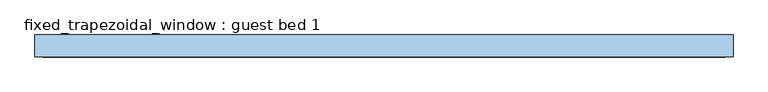
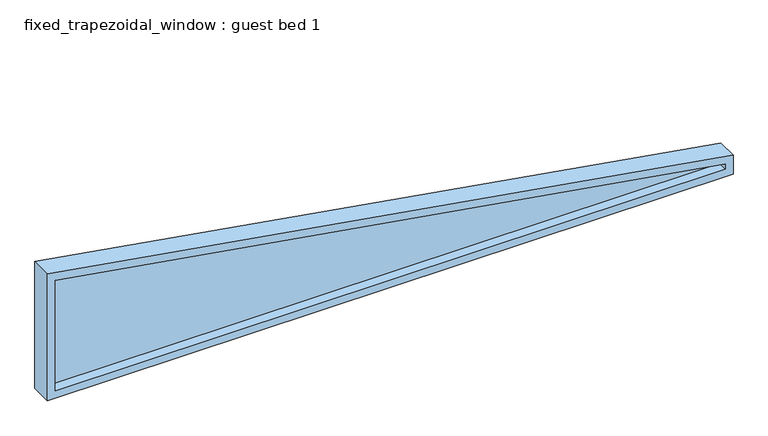
"""IFC4 building model written with IfcOpenShell, lengths in millimetres: window geometry, fixed_trapezoidal_window : guest bed 1."""

from ifc_helpers import new_model, si_unit, frame, origin, place, context, project, spatial, polyline, outline, extrude, source, transform, mapped, element, save


def fixed_trapezoidal_window_guest_bed_1_a39a6ab0(model_context):
    return source(origin(), model_context, "Body", "SweptSolid", [
        extrude(outline(polyline([(1270.0, -2197.1), (1270.0, 2120.9), (1303.1659439, 2120.9), (2022.8326106, -2197.1), (1270.0, -2197.1)])), frame((0.0, -6.35, 0.0), z_axis=(0.0, 1.0, 0.0), x_axis=(0.0, 0.0, 1.0)), (0.0, 0.0, 1.0), 12.7),
        extrude(outline(polyline([(1219.2, 2171.7), (1346.2, 2171.7), (2082.8, -2247.9), (1219.2, -2247.9), (1219.2, 2171.7)]), holes=[polyline([(1270.0, 2120.9), (1270.0, -2197.1), (2022.8326106, -2197.1), (1303.1659439, 2120.9), (1270.0, 2120.9)])]), frame((0.0, -69.85, 0.0), z_axis=(0.0, 1.0, 0.0), x_axis=(0.0, 0.0, 1.0)), (0.0, 0.0, 1.0), 139.7),
    ])


if __name__ == "__main__":
    model = new_model("IFC4")
    model_context = context("Model", 3, world=origin())
    ifc_project = project(units=[si_unit("LENGTHUNIT", "METRE", prefix="MILLI")], contexts=[model_context])
    site = spatial("IfcSite", under=ifc_project)
    building = spatial("IfcBuilding", under=site)
    placement = place(None, origin())
    fixed_trapezoidal_window_guest_bed_1_shape = fixed_trapezoidal_window_guest_bed_1_a39a6ab0(model_context)
    element("IfcWindow", 1, ObjectType="fixed_trapezoidal_window : guest bed 1", at=placement, inside=building, context=model_context, shape_type="MappedRepresentation", body=[
        mapped(fixed_trapezoidal_window_guest_bed_1_shape, transform((0.0, 0.0, 0.0), x_axis=(1.0, 0.0, 0.0), y_axis=(0.0, 1.0, 0.0), z_axis=(0.0, 0.0, 1.0))),
    ])
    save(model, "model.ifc")
